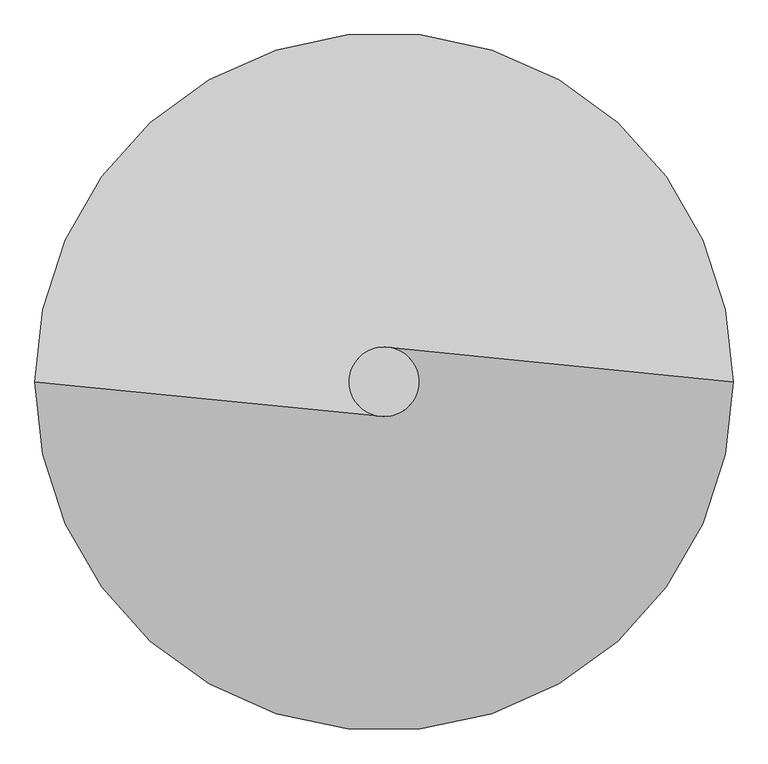
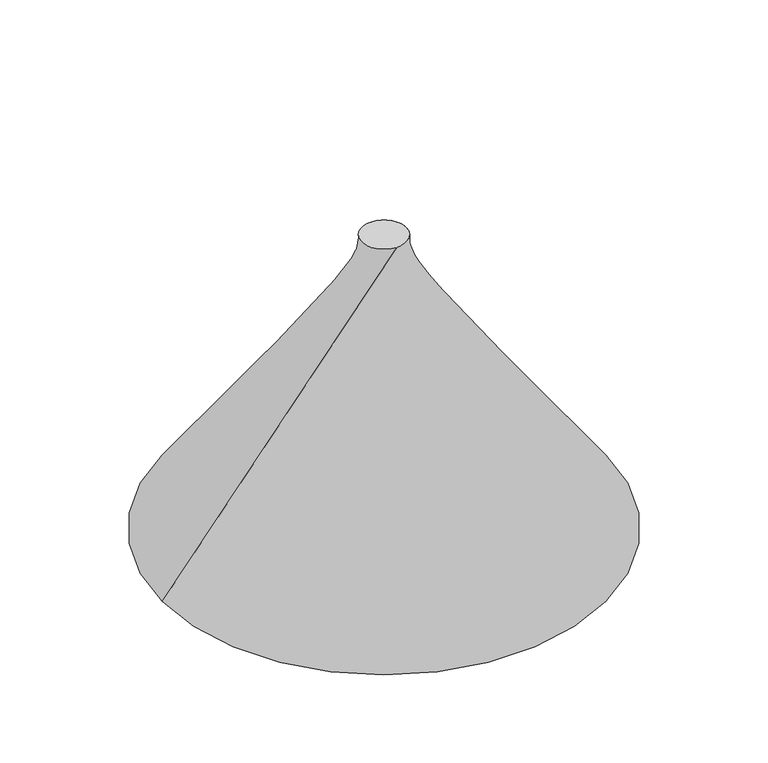
"""IFC4 building model written with IfcOpenShell, lengths in millimetres: proxy geometry."""

from ifc_helpers import new_model, si_unit, frame, origin, origin_with_axes, place, context, project, spatial, circle_curve, source, transform, mapped, element, save
from ifc_brep_helpers import plane_surface, spline_surface, advanced_brep


def generic_models_e072c9cb(model_context):
    return source(origin(), model_context, "Body", "AdvancedBrep", [
        advanced_brep(
        [(-500.0, 0.0, 0.0), (500.0, 0.0, 0.0), (0.0, 50.0, 700.0), (0.0, -50.0, 700.0)],
        [
            (0, 1, circle_curve(origin_with_axes(), 500.0)),
            (1, 2),
            (2, 3, circle_curve(frame((0.0, 0.0, 700.0), z_axis=(0.0, 0.0, -1.0), x_axis=(0.0, 1.0, 0.0)), 50.0)),
            (3, 0),
            (1, 0, circle_curve(origin_with_axes(), 500.0)),
            (3, 2, circle_curve(frame((0.0, 0.0, 700.0), z_axis=(0.0, 0.0, -1.0), x_axis=(0.0, 1.0, 0.0)), 50.0)),
        ],
        [
            spline_surface(2, 1, [[(-500.0, 0.0, 0.0), (0.0, -50.0, 700.0)], [(-500.0, -500.0, 0.0), (50.0, -50.0, 700.0)], [(0.0, -500.0, 0.0), (50.0, 0.0, 700.0)], [(500.0, -500.0, 0.0), (50.0, 50.0, 700.0)], [(500.0, 0.0, 0.0), (0.0, 50.0, 700.0)]], [3, 2, 3], [2, 2], [0.0, 1.0, 2.0], [0.0, 1.0], weights=[[1.0, 1.0], [0.7071067811865476, 0.7071067811865476], [1.0, 1.0], [0.7071067811865476, 0.7071067811865476], [1.0, 1.0]]),
            spline_surface(2, 1, [[(500.0, 0.0, 0.0), (0.0, 50.0, 700.0)], [(500.0, 500.0, 0.0), (-50.0, 50.0, 700.0)], [(0.0, 500.0, 0.0), (-50.0, 0.0, 700.0)], [(-500.0, 500.0, 0.0), (-50.0, -50.0, 700.0)], [(-500.0, 0.0, 0.0), (0.0, -50.0, 700.0)]], [3, 2, 3], [2, 2], [0.0, 1.0, 2.0], [0.0, 1.0], weights=[[1.0, 1.0], [0.7071067811865476, 0.7071067811865476], [1.0, 1.0], [0.7071067811865476, 0.7071067811865476], [1.0, 1.0]]),
            plane_surface(frame((0.0, 0.0, 700.0), z_axis=(0.0, 0.0, 1.0), x_axis=(0.0, 1.0, 0.0))),
            plane_surface(frame((0.0, 0.0, 0.0), z_axis=(0.0, 0.0, -1.0), x_axis=(1.0, 0.0, 0.0))),
        ],
        [
            (0, [[1, 2, 3, 4]]),
            (1, [[5, -4, 6, -2]]),
            (2, [[-3, -6]]),
            (3, [[-5, -1]]),
        ],
    ),
    ])


if __name__ == "__main__":
    model = new_model("IFC4")
    model_context = context("Model", 3, world=origin())
    ifc_project = project(units=[si_unit("LENGTHUNIT", "METRE", prefix="MILLI")], contexts=[model_context])
    site = spatial("IfcSite", under=ifc_project)
    building = spatial("IfcBuilding", under=site)
    placement = place(None, origin())
    generic_models_shape = generic_models_e072c9cb(model_context)
    element("IfcBuildingElementProxy", 1, Name="Generic Models", at=placement, inside=building, context=model_context, shape_type="MappedRepresentation", body=[
        mapped(generic_models_shape, transform((0.0, 0.0, 0.0), x_axis=(1.0, 0.0, 0.0), y_axis=(0.0, 1.0, 0.0), z_axis=(0.0, 0.0, 1.0))),
    ])
    save(model, "model.ifc")
